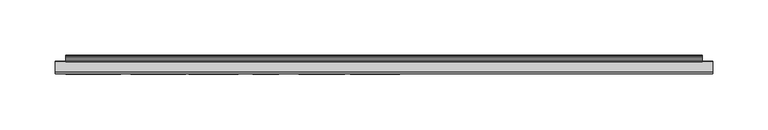
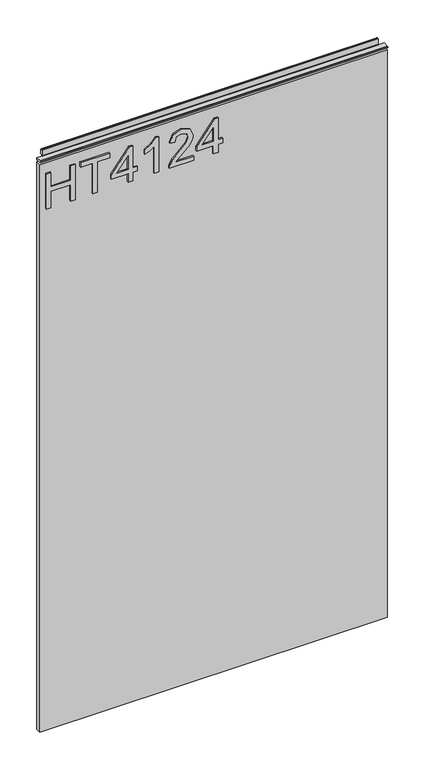
"""IFC4 building model written with IfcOpenShell, lengths in millimetres: furniture geometry."""

from ifc_helpers import new_model, si_unit, frame, origin, place, context, project, spatial, polyline, outline, extrude, source, transform, mapped, element, save


def furniture_993cec5b(model_context):
    return source(origin(), model_context, "Body", "SweptSolid", [
        extrude(outline(polyline([(1053.0078, -288.5795281), (1053.0078, -280.6058085), (1082.9092486, -280.6058085), (1082.9092486, -246.7175001), (1053.0078, -246.7175001), (1053.0078, -238.7437805), (1116.7975569, -238.7437805), (1116.7975569, -246.7175001), (1090.8829682, -246.7175001), (1090.8829682, -280.6058085), (1116.7975569, -280.6058085), (1116.7975569, -288.5795281), (1053.0078, -288.5795281)])), frame((0.0, -5.6037602, 0.0), z_axis=(0.0, 1.0, 0.0), x_axis=(0.0, 0.0, 1.0)), (0.0, 0.0, 1.0), 2.38125),
        extrude(outline(polyline([(1053.0078, -208.8423319), (1053.0078, -200.8686123), (1108.8238373, -200.8686123), (1108.8238373, -179.9375983), (1116.7975569, -179.9375983), (1116.7975569, -229.7733459), (1108.8238373, -229.7733459), (1108.8238373, -208.8423319), (1053.0078, -208.8423319)])), frame((0.0, -5.6037602, 0.0), z_axis=(0.0, 1.0, 0.0), x_axis=(0.0, 0.0, 1.0)), (0.0, 0.0, 1.0), 2.38125),
        extrude(outline(polyline([(1053.0078, -148.0427198), (1053.0078, -140.0690002), (1067.9585243, -140.0690002), (1067.9585243, -132.0952806), (1075.9322439, -132.0952806), (1075.9322439, -140.0690002), (1115.800842, -140.0690002), (1115.800842, -146.0492899), (1075.9322439, -176.9474534), (1067.9585243, -176.9474534), (1067.9585243, -148.0427198), (1053.0078, -148.0427198)]), holes=[polyline([(1075.9322439, -148.0427198), (1075.9322439, -167.1360406), (1100.5697916, -148.0427198), (1075.9322439, -148.0427198)])]), frame((0.0, -5.6037602, 0.0), z_axis=(0.0, 1.0, 0.0), x_axis=(0.0, 0.0, 1.0)), (0.0, 0.0, 1.0), 2.38125),
        extrude(outline(polyline([(1053.0078, -95.2168274), (1116.7975569, -95.2168274), (1116.7975569, -100.3561388), (1108.3099062, -107.449946), (1100.8501177, -119.1379862), (1093.3124609, -119.1379862), (1097.3382549, -110.7437775), (1102.7189582, -103.190547), (1053.0078, -103.190547), (1053.0078, -95.2168274)])), frame((0.0, -5.6037602, 0.0), z_axis=(0.0, 1.0, 0.0), x_axis=(0.0, 0.0, 1.0)), (0.0, 0.0, 1.0), 2.38125),
        extrude(outline(polyline([(1060.9815196, -35.4139302), (1060.9815196, -66.7325829), (1065.0384609, -63.1350648), (1072.708494, -53.9621725), (1083.6334243, -42.5388848), (1091.4514072, -37.8278492), (1099.0124245, -36.4106452), (1111.6893928, -41.6667592), (1116.7975569, -55.9400288), (1112.203324, -70.1665773), (1098.8566878, -76.2792433), (1097.8599729, -68.3055236), (1105.9115608, -64.9493975), (1108.8238373, -56.1113392), (1105.8414793, -47.6314752), (1098.5296407, -44.3843648), (1089.4969115, -47.8261461), (1076.21257, -61.5932714), (1066.9695962, -71.5759946), (1058.5053059, -76.4194063), (1053.0078, -77.2759582), (1053.0078, -35.4139302), (1060.9815196, -35.4139302)])), frame((0.0, -5.6037602, 0.0), z_axis=(0.0, 1.0, 0.0), x_axis=(0.0, 0.0, 1.0)), (0.0, 0.0, 1.0), 2.38125),
        extrude(outline(polyline([(1053.0078, -1.5256218), (1053.0078, 6.4480978), (1067.9585243, 6.4480978), (1067.9585243, 14.4218174), (1075.9322439, 14.4218174), (1075.9322439, 6.4480978), (1115.800842, 6.4480978), (1115.800842, 0.4678081), (1075.9322439, -30.4303555), (1067.9585243, -30.4303555), (1067.9585243, -1.5256218), (1053.0078, -1.5256218)]), holes=[polyline([(1075.9322439, -1.5256218), (1075.9322439, -20.6189426), (1100.5697916, -1.5256218), (1075.9322439, -1.5256218)])]), frame((0.0, -5.6037602, 0.0), z_axis=(0.0, 1.0, 0.0), x_axis=(0.0, 0.0, 1.0)), (0.0, 0.0, 1.0), 2.38125),
        extrude(outline(polyline([(5.5562561, 1143.0), (6.3500061, 1143.0), (6.3500061, 1152.87425), (7.1437561, 1153.668), (8.6677569, 1153.668), (10.0084363, 1153.2506926), (10.875413, 1152.1461816), (10.9623604, 1150.7447591), (10.2390011, 1147.7863459), (10.4046103, 1146.5833307), (11.6746103, 1144.3836103), (10.7786383, 1143.8663244), (7.1437561, 1143.8663244), (7.1437561, 1143.0), (6.3500061, 1142.7669239), (6.3500061, 1135.5578), (5.5562561, 1135.5578), (5.5562561, 1143.0)])), frame((-288.671, 0.0, 0.0), z_axis=(1.0, 0.0, 0.0), x_axis=(0.0, 1.0, 0.0)), (0.0, 0.0, 1.0), 577.342),
        extrude(outline(polyline([(5.5562561, 1143.0), (5.5562561, 1139.8249996), (-3.975094, 1139.8249996), (-5.3492339, 1140.6183657), (-5.3492339, 1142.2066395), (-3.9751037, 1143.0), (5.5562561, 1143.0)])), frame((-298.196, 0.0, 0.0), z_axis=(1.0, 0.0, 0.0), x_axis=(0.0, 1.0, 0.0)), (0.0, 0.0, 1.0), 596.392),
        extrude(outline(polyline([(298.196, 6.3500061), (298.196, -3.1749939), (-298.196, -3.1749939), (-298.196, 6.3500061), (298.196, 6.3500061)])), frame((0.0, 0.0, 104.69626), z_axis=(0.0, 0.0, 1.0), x_axis=(1.0, 0.0, 0.0)), (0.0, 0.0, 1.0), 1030.86154),
    ])


if __name__ == "__main__":
    model = new_model("IFC4")
    model_context = context("Model", 3, world=origin())
    ifc_project = project(units=[si_unit("LENGTHUNIT", "METRE", prefix="MILLI")], contexts=[model_context])
    site = spatial("IfcSite", under=ifc_project)
    building = spatial("IfcBuilding", under=site)
    placement = place(None, origin())
    furniture_shape = furniture_993cec5b(model_context)
    element("IfcFurniture", 1, at=placement, inside=building, context=model_context, shape_type="MappedRepresentation", body=[
        mapped(furniture_shape, transform((0.0, 0.0, 0.0), x_axis=(1.0, 0.0, 0.0), y_axis=(0.0, 1.0, 0.0), z_axis=(0.0, 0.0, 1.0))),
    ])
    save(model, "model.ifc")
